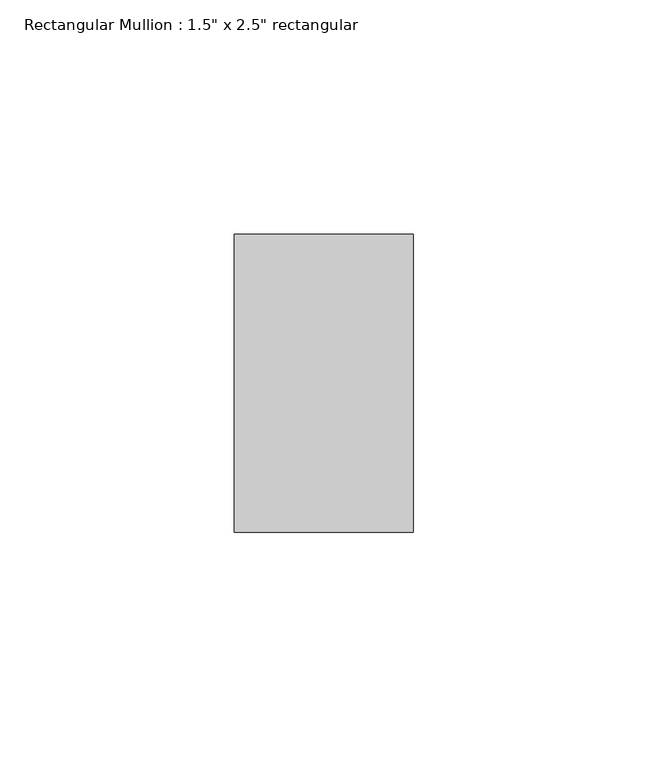
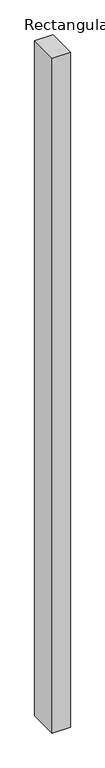
"""IFC4 building model written with IfcOpenShell, lengths in millimetres: member geometry."""

import ifcopenshell
import ifcopenshell.guid

model = None  # the IFC model being written
_history = None  # IfcOwnerHistory: only IFC2X3 demands one
_inside = {}  # id of a spatial element -> (the spatial element, [elements in it])
_under = {}  # id of a project, library or spatial element -> (it, [spatial elements below it])
_declared = {}  # id of a project -> (the project, [libraries it declares])
_typed = {}  # id of a type object -> (the type object, [elements of that type])
_made_of = {}  # id of a material, layer set ... -> (it, [elements and type objects made of it])


def new_model(schema):
    """Start an empty IFC model of exactly this schema.

    Asked for "IFC4X3", IfcOpenShell would pick the latest addendum, in which some entities
    have other attributes; the version numbers below select the first issue.
    IFC2X3 requires an IfcOwnerHistory on every rooted entity: one is made here for all.
    """
    global model, _history
    if schema == "IFC4X3":
        model = ifcopenshell.file(schema_version=(4, 3, 0, 0))
    else:
        model = ifcopenshell.file(schema=schema)
    _inside.clear()
    _under.clear()
    _declared.clear()
    _typed.clear()
    _made_of.clear()
    _history = None
    if model.schema == "IFC2X3":
        org = make("IfcOrganization", Name="unknown")
        user = make(
            "IfcPersonAndOrganization",
            ThePerson=make("IfcPerson", FamilyName="unknown"),
            TheOrganization=org,
        )
        app = make(
            "IfcApplication",
            ApplicationDeveloper=org,
            Version="unknown",
            ApplicationFullName="unknown",
            ApplicationIdentifier="unknown",
        )
        _history = make(
            "IfcOwnerHistory",
            OwningUser=user,
            OwningApplication=app,
            ChangeAction="ADDED",
            CreationDate=0,
        )
    return model


def make(cls, **values):
    """One entity of the class cls with the attributes given. An attribute that is None is left unset."""
    return model.create_entity(
        cls, **{name: value for name, value in values.items() if value is not None}
    )


def rooted(cls, **values):
    """An entity with a GlobalId (a new one), such as an element, a storey or a relation."""
    return make(cls, GlobalId=ifcopenshell.guid.new(), OwnerHistory=_history, **values)


def si_unit(unit_type, name, prefix=None):
    """IfcSIUnit, for example si_unit("LENGTHUNIT", "METRE", prefix="MILLI")."""
    return make("IfcSIUnit", UnitType=unit_type, Prefix=prefix, Name=name)


def assignment(units):
    """IfcUnitAssignment: the units of a project."""
    return None if units is None else make("IfcUnitAssignment", Units=units)


def point(xyz):
    """IfcCartesianPoint."""
    return None if xyz is None else make("IfcCartesianPoint", Coordinates=xyz)


def direction(xyz):
    """IfcDirection."""
    return None if xyz is None else make("IfcDirection", DirectionRatios=xyz)


def frame(location, z_axis=None, x_axis=None):
    """IfcAxis2Placement3D, a coordinate frame: its origin and axes. An axis left out is left unset."""
    return make(
        "IfcAxis2Placement3D",
        Location=point(location),
        Axis=direction(z_axis),
        RefDirection=direction(x_axis),
    )


def origin():
    """The frame at (0, 0, 0) with its axes left unset."""
    return frame((0.0, 0.0, 0.0))


def place(relative_to, where):
    """IfcLocalPlacement: puts the frame where relative to a parent placement (None: the world)."""
    return make(
        "IfcLocalPlacement", PlacementRelTo=relative_to, RelativePlacement=where
    )


def context(
    kind, dimensions, precision=None, world=None, true_north=None, identifier=None
):
    """IfcGeometricRepresentationContext, for example the 3D "Model" context."""
    return make(
        "IfcGeometricRepresentationContext",
        ContextIdentifier=identifier,
        ContextType=kind,
        CoordinateSpaceDimension=dimensions,
        Precision=precision,
        WorldCoordinateSystem=world,
        TrueNorth=true_north,
    )


def project(units=None, contexts=None):
    """IfcProject with its units and contexts."""
    return rooted(
        "IfcProject",
        Name="project",
        RepresentationContexts=contexts,
        UnitsInContext=assignment(units),
    )


def spatial(cls, under=None, at=None, **own):
    """A site, building, storey or space (cls), placed at a placement, below another one or the project."""
    s = rooted(cls, ObjectPlacement=at, **own)
    if under is not None:
        _under.setdefault(under.id(), (under, []))[1].append(s)
    return s


def polyline(points):
    """IfcPolyline through the points."""
    return make("IfcPolyline", Points=[point(p) for p in points])


def outline(outer, holes=None, kind="AREA"):
    """IfcArbitraryClosedProfileDef: a profile drawn as a closed curve; with holes, ...WithVoids."""
    if holes is None:
        return make("IfcArbitraryClosedProfileDef", ProfileType=kind, OuterCurve=outer)
    return make(
        "IfcArbitraryProfileDefWithVoids",
        ProfileType=kind,
        OuterCurve=outer,
        InnerCurves=holes,
    )


def extrude(swept, where, along, depth):
    """IfcExtrudedAreaSolid: the profile swept, set in the frame where, extruded along a direction by depth."""
    return make(
        "IfcExtrudedAreaSolid",
        SweptArea=swept,
        Position=where,
        ExtrudedDirection=direction(along),
        Depth=depth,
    )


def shape(context_of_items, identifier, shape_type, items):
    """IfcShapeRepresentation: the items that make up one representation, for example the "Body"."""
    return make(
        "IfcShapeRepresentation",
        ContextOfItems=context_of_items,
        RepresentationIdentifier=identifier,
        RepresentationType=shape_type,
        Items=items,
    )


def source(mapping_origin, context_of_items, identifier, shape_type, items):
    """IfcRepresentationMap: a shape defined once, which mapped items show again and again."""
    return make(
        "IfcRepresentationMap",
        MappingOrigin=mapping_origin,
        MappedRepresentation=shape(context_of_items, identifier, shape_type, items),
    )


def transform(
    local_origin,
    x_axis=None,
    y_axis=None,
    z_axis=None,
    scale=None,
    scale2=None,
    scale3=None,
    uniform=True,
):
    """IfcCartesianTransformationOperator3D, or its non-uniform kind. x_axis, y_axis, z_axis: its Axis1, 2, 3."""
    if uniform:
        return make(
            "IfcCartesianTransformationOperator3D",
            Axis1=direction(x_axis),
            Axis2=direction(y_axis),
            LocalOrigin=point(local_origin),
            Scale=scale,
            Axis3=direction(z_axis),
        )
    return make(
        "IfcCartesianTransformationOperator3DnonUniform",
        Axis1=direction(x_axis),
        Axis2=direction(y_axis),
        LocalOrigin=point(local_origin),
        Scale=scale,
        Axis3=direction(z_axis),
        Scale2=scale2,
        Scale3=scale3,
    )


def mapped(mapping_source, mapping_target):
    """IfcMappedItem: shows the shape of a source again, moved by a transform."""
    return make(
        "IfcMappedItem", MappingSource=mapping_source, MappingTarget=mapping_target
    )


def made_of(thing, what):
    """Note that an element or type object is made of a material, layer set ...; save() writes the relation."""
    if what is not None:
        _made_of.setdefault(what.id(), (what, []))[1].append(thing)
    return thing


def element(
    cls,
    number,
    at=None,
    inside=None,
    cuts=None,
    type_object=None,
    material=None,
    context=None,
    identifier="Body",
    shape_type=None,
    held_by="IfcProductDefinitionShape",
    body=None,
    shapes=None,
    **own,
):
    """One element of the class cls, such as IfcWall. Its Tag is "e" and its number.

    at: its placement. inside: the storey or other place that contains it. cuts: it is an
    opening in that element (IfcRelVoidsElement). A single representation is given by context,
    identifier, shape_type and body (its items); several are given by shapes. held_by: the class
    of the entity that holds the representations. save() writes the other relations.
    """
    e = rooted(cls, Tag="e%d" % number, ObjectPlacement=at, **own)
    if body is not None:
        shapes = [shape(context, identifier, shape_type, body)]
    if shapes is not None:
        e.Representation = make(held_by, Representations=shapes)
    if inside is not None:
        _inside.setdefault(inside.id(), (inside, []))[1].append(e)
    if cuts is not None:
        rooted(
            "IfcRelVoidsElement", RelatingBuildingElement=cuts, RelatedOpeningElement=e
        )
    if type_object is not None:
        _typed.setdefault(type_object.id(), (type_object, []))[1].append(e)
    return made_of(e, material)


def aggregate(whole, parts):
    """IfcRelAggregates: a whole, such as a stair, and the parts it consists of."""
    return rooted("IfcRelAggregates", RelatingObject=whole, RelatedObjects=parts)


def save(model, path):
    """Write the relations noted so far, then the file.

    IfcRelAggregates (storeys below a building ...), IfcRelContainedInSpatialStructure (elements
    in a storey), IfcRelDefinesByType, IfcRelAssociatesMaterial and IfcRelDeclares: one each for
    every whole, place, type object, material and project.
    """
    for whole, parts in _under.values():
        aggregate(whole, parts)
    for where, things in _inside.values():
        rooted(
            "IfcRelContainedInSpatialStructure",
            RelatedElements=things,
            RelatingStructure=where,
        )
    for kind, things in _typed.values():
        rooted("IfcRelDefinesByType", RelatedObjects=things, RelatingType=kind)
    for what, things in _made_of.values():
        rooted("IfcRelAssociatesMaterial", RelatedObjects=things, RelatingMaterial=what)
    for by, libraries in _declared.values():
        rooted("IfcRelDeclares", RelatingContext=by, RelatedDefinitions=libraries)
    model.write(path)


def member_3eb1ed86(model_context):
    return source(origin(), model_context, "Body", "SweptSolid", [
        extrude(outline(polyline([(0.0, 31.75), (0.0, -31.75), (-38.1, -31.75), (-38.1, 31.75), (0.0, 31.75)])), frame((0.0, 0.0, -1498.6), z_axis=(0.0, 0.0, 1.0), x_axis=(1.0, 0.0, 0.0)), (0.0, 0.0, 1.0), 1498.6),
    ])


if __name__ == "__main__":
    model = new_model("IFC4")
    model_context = context("Model", 3, world=origin())
    ifc_project = project(units=[si_unit("LENGTHUNIT", "METRE", prefix="MILLI")], contexts=[model_context])
    site = spatial("IfcSite", under=ifc_project)
    building = spatial("IfcBuilding", under=site)
    placement = place(None, origin())
    member_shape = member_3eb1ed86(model_context)
    element("IfcMember", 1, ObjectType="Rectangular Mullion : 1.5\" x 2.5\" rectangular", at=placement, inside=building, context=model_context, shape_type="MappedRepresentation", body=[
        mapped(member_shape, transform((0.0, 0.0, 0.0), x_axis=(1.0, 0.0, 0.0), y_axis=(0.0, 1.0, 0.0), z_axis=(0.0, 0.0, 1.0))),
    ])
    save(model, "model.ifc")
